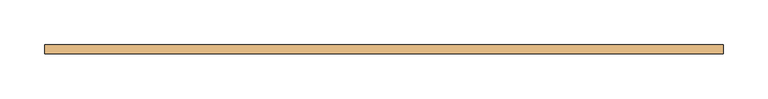
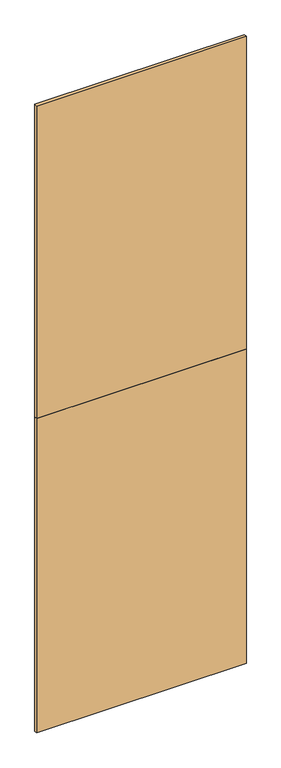
"""IFC4 building model written with IfcOpenShell, lengths in millimetres: door geometry."""

from ifc_helpers import new_model, si_unit, frame, origin, place, context, project, spatial, polyline, outline, extrude, source, transform, mapped, element, save


def door_d53b775c(model_context):
    return source(origin(), model_context, "Body", "SweptSolid", [
        extrude(outline(polyline([(378.7579618, 5.0), (378.7579618, -5.0), (-378.7579618, -5.0), (-378.7579618, 5.0), (378.7579618, 5.0)])), frame((0.0, 0.0, 1.5559478), z_axis=(0.0, 0.0, 1.0), x_axis=(1.0, 0.0, 0.0)), (0.0, 0.0, 1.0), 1198.4440522),
        extrude(outline(polyline([(378.7579618, 5.0), (378.7579618, -5.0), (-378.7579618, -5.0), (-378.7579618, 5.0), (378.7579618, 5.0)])), frame((0.0, 0.0, 1200.0), z_axis=(0.0, 0.0, 1.0), x_axis=(1.0, 0.0, 0.0)), (0.0, 0.0, 1.0), 1192.9229469),
    ])


if __name__ == "__main__":
    model = new_model("IFC4")
    model_context = context("Model", 3, world=origin())
    ifc_project = project(units=[si_unit("LENGTHUNIT", "METRE", prefix="MILLI")], contexts=[model_context])
    site = spatial("IfcSite", under=ifc_project)
    building = spatial("IfcBuilding", under=site)
    placement = place(None, origin())
    door_shape = door_d53b775c(model_context)
    element("IfcDoor", 1, at=placement, inside=building, context=model_context, shape_type="MappedRepresentation", body=[
        mapped(door_shape, transform((0.0, 0.0, 0.0), x_axis=(1.0, 0.0, 0.0), y_axis=(0.0, 1.0, 0.0), z_axis=(0.0, 0.0, 1.0))),
    ])
    save(model, "model.ifc")
